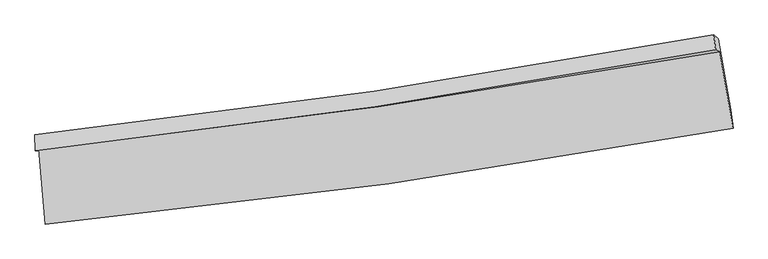
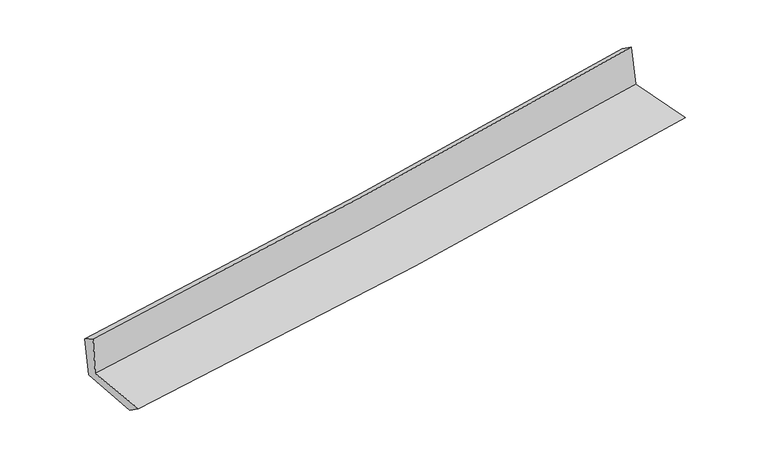
"""IFC4 building model written with IfcOpenShell, lengths in millimetres: proxy geometry."""

from ifc_helpers import new_model, si_unit, frame, origin, place, context, project, spatial, source, transform, mapped, element, save
from ifc_brep_helpers import plane_surface, spline_curve, spline_surface, advanced_brep


def generic_models_94a86d8c(model_context):
    return source(origin(), model_context, "Body", "AdvancedBrep", [
        advanced_brep(
        [(-3011.4900301, -1900.4782853, 1622.6063045), (-2954.4494622, -2564.4741764, 1624.2232576), (3090.3423634, -1720.5131324, 2129.9239822), (2973.9271207, -1050.4913566, 2123.1068003), (-3042.5890575, -1918.0727075, 2017.4106694), (2936.9833772, -1033.3156928, 2523.2992896), (-3047.4391261, -1779.1145915, 1931.2800462), (2921.8749783, -901.9398593, 2430.9714535), (-3013.9578375, -1795.7666235, 1543.3342116), (2960.7260853, -936.0617516, 2043.1773541), (-2958.3958565, -2416.2273669, 1517.4712993), (3070.1769571, -1559.5916588, 2036.3936114)],
        [
            (0, 1),
            (1, 2, spline_curve(3, [(-2954.4494622, -2564.4741764, 1624.2232576), (-1945.891335982, -2469.750800884, 1718.966542542), (-939.718379086, -2352.400270451, 1808.345097597), (1075.247479688, -2071.414329176, 1976.991290988), (2084.005131725, -1907.444511335, 2056.179644205), (3090.3423634, -1720.5131324, 2129.9239822)], [4, 2, 4], [0.0, 9.964677485233793, 20.002718888154536])),
            (2, 3),
            (3, 0, spline_curve(3, [(2973.9271207, -1050.4913566, 2123.1068003), (1977.006559939, -1229.152746562, 2050.414627721), (977.92422561, -1389.508583251, 1972.186964803), (-1017.246308466, -1672.570961434, 1805.272848846), (-2013.303024286, -1795.544101443, 1716.66701302), (-3011.4900301, -1900.4782853, 1622.6063045)], [4, 2, 4], [0.0, 10.038041402920744, 20.002718888154536])),
            (4, 0),
            (3, 5),
            (5, 4, spline_curve(3, [(2936.9833772, -1033.3156928, 2523.2992896), (1941.910802708, -1219.408181293, 2448.07243712), (944.239711378, -1386.384739765, 2368.12977237), (-1048.988944057, -1681.025344689, 2199.431552632), (-2044.508664564, -1808.967790955, 2110.744677183), (-3042.5890575, -1918.0727075, 2017.4106694)], [4, 2, 4], [0.0, 9.98938256433505, 19.905756838429326])),
            (6, 4),
            (5, 7),
            (7, 6, spline_curve(3, [(2921.8749783, -901.9398593, 2430.9714535), (1928.42465047, -1084.94517959, 2355.180522792), (932.422851035, -1249.747315203, 2275.477082808), (-1057.385676308, -1541.873785536, 2108.856299586), (-2051.155244806, -1669.463227572, 2021.995937033), (-3047.4391261, -1779.1145915, 1931.2800462)], [4, 2, 4], [0.0, 9.979435650730279, 19.88593570912186])),
            (8, 6),
            (7, 9),
            (9, 8, spline_curve(3, [(2960.7260853, -936.0617516, 2043.1773541), (1967.835593017, -1123.106876089, 1957.18297579), (971.661911204, -1288.454985414, 1872.383786418), (-1019.947211838, -1574.707285603, 1705.786812052), (-2015.334837886, -1695.927467203, 1623.971620694), (-3013.9578375, -1795.7666235, 1543.3342116)], [4, 2, 4], [0.0, 9.972278767615364, 19.87167424960832])),
            (10, 8),
            (9, 11),
            (11, 10, spline_curve(3, [(3070.1769571, -1559.5916588, 2036.3936114), (2066.032115625, -1736.706709103, 1952.239391773), (1059.72815528, -1896.850348046, 1866.755292304), (-949.827560644, -2182.148416604, 1693.761819984), (-1953.047871576, -2307.550013644, 1606.271815833), (-2958.3958565, -2416.2273669, 1517.4712993)], [4, 2, 4], [0.0, 10.019141210967328, 19.965056637980283])),
            (1, 10),
            (11, 2),
        ],
        [
            spline_surface(3, 3, [[(-3011.4900301, -1900.4782853, 1622.6063045), (-2013.303024328, -1795.544101348, 1716.667013052), (-1017.246308331, -1672.570961599, 1805.27284875), (977.924225473, -1389.508583085, 1972.1869649), (1977.006559775, -1229.152746624, 2050.414627835), (2973.9271207, -1050.4913566, 2123.1068003)], [(-2992.476507483, -2121.810248986, 1623.145288851), (-1990.832461521, -2020.279667806, 1717.433522857), (-991.403665271, -1899.180731234, 1806.296931673), (1010.365310248, -1616.810498466, 1973.788406963), (2012.67275039, -1455.250001578, 2052.336299994), (3012.732201594, -1273.831948533, 2125.379194293)], [(-2973.462984817, -2343.142212714, 1623.684273249), (-1968.361898665, -2245.015234308, 1718.20003271), (-965.561022233, -2125.790500816, 1807.321014585), (1042.806395002, -1844.112413794, 1975.389849014), (2048.338941022, -1681.347256531, 2054.257972074), (3051.537282506, -1497.172540467, 2127.651588207)], [(-2954.4494622, -2564.4741764, 1624.2232576), (-1945.891335858, -2469.750800766, 1718.966542516), (-939.718379173, -2352.400270451, 1808.345097508), (1075.247479776, -2071.414329176, 1976.991291077), (2084.005131637, -1907.444511484, 2056.179644233), (3090.3423634, -1720.5131324, 2129.9239822)]], [4, 4], [4, 2, 4], [0.0, 2.2522486753263653], [0.0, 9.964677485233793, 20.002718888154536]),
            spline_surface(3, 3, [[(-3042.5890575, -1918.0727075, 2017.4106694), (-2044.5086647, -1808.967791117, 2110.744677064), (-1048.988944212, -1681.025344739, 2199.431552488), (944.239711534, -1386.384739715, 2368.129772515), (1941.910802606, -1219.408181155, 2448.072437177), (2936.9833772, -1033.3156928, 2523.2992896)], [(-3032.222715028, -1912.207900118, 1885.809214423), (-2034.10678457, -1804.493227879, 1979.385455717), (-1038.408065601, -1678.207216996, 2068.045317928), (955.467882831, -1387.426020809, 2236.148836662), (1953.609388315, -1222.656369632, 2315.519834045), (2949.297958353, -1039.040914054, 2389.901793149)], [(-3021.856372572, -1906.343092682, 1754.207759477), (-2023.704904457, -1800.018664587, 1848.026234399), (-1027.827186942, -1675.389089342, 1936.65908331), (966.696054176, -1388.467301991, 2104.167900752), (1965.307974066, -1225.904558147, 2182.967230966), (2961.612539547, -1044.766135346, 2256.504296751)], [(-3011.4900301, -1900.4782853, 1622.6063045), (-2013.303024328, -1795.544101348, 1716.667013052), (-1017.246308331, -1672.570961599, 1805.27284875), (977.924225473, -1389.508583085, 1972.1869649), (1977.006559775, -1229.152746624, 2050.414627835), (2973.9271207, -1050.4913566, 2123.1068003)]], [4, 4], [4, 2, 4], [0.0, 1.3005864266213267], [0.0, 9.916374274094276, 19.905756838429326]),
            spline_surface(3, 3, [[(-3047.4391261, -1779.1145915, 1931.2800462), (-2051.155244815, -1669.463227436, 2021.995936992), (-1057.385676221, -1541.873785647, 2108.85629955), (932.422850947, -1249.747315091, 2275.477082844), (1928.424650472, -1084.945179499, 2355.180522702), (2921.8749783, -901.9398593, 2430.9714535)], [(-3045.82243657, -1825.433963485, 1959.990253957), (-2048.939718114, -1715.964748648, 2051.578850373), (-1054.586765552, -1588.257638691, 2139.04805052), (936.361804475, -1295.293123312, 2306.361312725), (1932.92003451, -1129.766180065, 2386.144494198), (2926.91111126, -945.731803814, 2461.747398871)], [(-3044.20574703, -1871.753335515, 1988.700461643), (-2046.724191401, -1762.466269906, 2081.161763683), (-1051.787854881, -1634.641491695, 2169.239801518), (940.300758005, -1340.838931494, 2337.245542634), (1937.415418569, -1174.587180589, 2417.10846568), (2931.94724424, -989.523748286, 2492.523344229)], [(-3042.5890575, -1918.0727075, 2017.4106694), (-2044.5086647, -1808.967791117, 2110.744677064), (-1048.988944212, -1681.025344739, 2199.431552488), (944.239711534, -1386.384739715, 2368.129772515), (1941.910802606, -1219.408181155, 2448.072437177), (2936.9833772, -1033.3156928, 2523.2992896)]], [4, 4], [4, 2, 4], [0.0, 0.5441572290070752], [0.0, 9.90650005839158, 19.88593570912186]),
            spline_surface(3, 3, [[(-3013.9578375, -1795.7666235, 1543.3342116), (-2015.334837721, -1695.927467274, 1623.971620722), (-1019.947211918, -1574.70728573, 1705.786812037), (971.661911285, -1288.454985286, 1872.383786433), (1967.835593059, -1123.106876169, 1957.182975938), (2960.7260853, -936.0617516, 2043.1773541)], [(-3025.118267016, -1790.215946184, 1672.649489785), (-2027.274973402, -1687.106054012, 1756.646392797), (-1032.426700014, -1563.762785709, 1840.143307855), (958.58222451, -1275.55242856, 2006.74821855), (1954.698612209, -1110.386310606, 2089.848824847), (2947.775716312, -924.687787493, 2172.442053887)], [(-3036.278696584, -1784.665268816, 1801.964768015), (-2039.215109134, -1678.284640699, 1889.321164917), (-1044.906188125, -1552.818285669, 1974.499803732), (945.502537721, -1262.649871816, 2141.112650727), (1941.561631322, -1097.665745062, 2222.514673793), (2934.825347288, -913.313823407, 2301.706753713)], [(-3047.4391261, -1779.1145915, 1931.2800462), (-2051.155244815, -1669.463227436, 2021.995936992), (-1057.385676221, -1541.873785647, 2108.85629955), (932.422850947, -1249.747315091, 2275.477082844), (1928.424650472, -1084.945179499, 2355.180522702), (2921.8749783, -901.9398593, 2430.9714535)]], [4, 4], [4, 2, 4], [0.0, 1.3335956186956646], [0.0, 9.899395481992954, 19.87167424960832]),
            spline_surface(3, 3, [[(-2958.3958565, -2416.2273669, 1517.4712993), (-1953.047871676, -2307.550013543, 1606.271815728), (-949.82756073, -2182.148416543, 1693.761820095), (1059.728155366, -1896.850348107, 1866.755292193), (2066.032115613, -1736.706709077, 1952.239391848), (3070.1769571, -1559.5916588, 2036.3936114)], [(-2976.916516844, -2209.407119081, 1526.092270061), (-1973.810193702, -2103.675831434, 1612.171750721), (-973.200777782, -1979.668039608, 1697.770150763), (1030.372740683, -1694.051893836, 1868.63145696), (2033.299941426, -1532.173431438, 1953.887253207), (3033.693333164, -1351.748356396, 2038.654858962)], [(-2995.437177156, -2002.586871319, 1534.713240839), (-1994.572515695, -1899.801649383, 1618.071685729), (-996.573994866, -1777.187662665, 1701.778481369), (1001.017325968, -1491.253439557, 1870.507621666), (2000.567767247, -1327.640153809, 1955.535114579), (2997.209709236, -1143.905054004, 2040.916106538)], [(-3013.9578375, -1795.7666235, 1543.3342116), (-2015.334837721, -1695.927467274, 1623.971620722), (-1019.947211918, -1574.70728573, 1705.786812037), (971.661911285, -1288.454985286, 1872.383786433), (1967.835593059, -1123.106876169, 1957.182975938), (2960.7260853, -936.0617516, 2043.1773541)]], [4, 4], [4, 2, 4], [0.0, 2.0115393617604678], [0.0, 9.945915427012954, 19.965056637980283]),
            spline_surface(3, 3, [[(-2954.4494622, -2564.4741764, 1624.2232576), (-1945.891335858, -2469.750800766, 1718.966542516), (-939.718379173, -2352.400270451, 1808.345097508), (1075.247479776, -2071.414329176, 1976.991291077), (2084.005131637, -1907.444511484, 2056.179644233), (3090.3423634, -1720.5131324, 2129.9239822)], [(-2955.764926958, -2515.058573247, 1588.639271523), (-1948.276847789, -2415.683871705, 1681.401633609), (-943.088106365, -2295.649652472, 1770.15067169), (1070.074371634, -2013.226335476, 1940.245958102), (2078.014126313, -1850.531910691, 2021.532893441), (3083.620561317, -1666.872641209, 2098.747191936)], [(-2957.080391742, -2465.642970053, 1553.055285377), (-1950.662359745, -2361.616942604, 1643.836724634), (-946.457833538, -2238.899034523, 1731.956245913), (1064.901263509, -1955.038341807, 1903.500625168), (2072.023120937, -1793.619309871, 1986.88614264), (3076.898759183, -1613.232149991, 2067.570401664)], [(-2958.3958565, -2416.2273669, 1517.4712993), (-1953.047871676, -2307.550013543, 1606.271815728), (-949.82756073, -2182.148416543, 1693.761820095), (1059.728155366, -1896.850348107, 1866.755292193), (2066.032115613, -1736.706709077, 1952.239391848), (3070.1769571, -1559.5916588, 2036.3936114)]], [4, 4], [4, 2, 4], [0.0, 0.6765763277287467], [0.0, 10.001219277244497, 20.076071507378057]),
            plane_surface(frame((2992.3384803, -1200.3189086, 2214.4787485), z_axis=(0.9816744631056745, 0.1714116134387223, 0.08326648344033602), x_axis=(-0.09930598307649162, 0.08721779959719377, 0.9912272076363902))),
            plane_surface(frame((-3004.7202283, -2062.3556252, 1709.3876314), z_axis=(-0.992955952805655, -0.08549963123759438, -0.0820261473315041), x_axis=(-0.08558951774312552, 0.9963275303841406, -0.0024262421847156992))),
        ],
        [
            (0, [[1, 2, 3, 4]]),
            (1, [[5, -4, 6, 7]]),
            (2, [[8, -7, 9, 10]]),
            (3, [[11, -10, 12, 13]]),
            (4, [[14, -13, 15, 16]]),
            (5, [[17, -16, 18, -2]]),
            (6, [[-12, -9, -6, -3, -18, -15]]),
            (7, [[-1, -5, -8, -11, -14, -17]]),
        ],
    ),
    ])


if __name__ == "__main__":
    model = new_model("IFC4")
    model_context = context("Model", 3, world=origin())
    ifc_project = project(units=[si_unit("LENGTHUNIT", "METRE", prefix="MILLI")], contexts=[model_context])
    site = spatial("IfcSite", under=ifc_project)
    building = spatial("IfcBuilding", under=site)
    placement = place(None, origin())
    generic_models_shape = generic_models_94a86d8c(model_context)
    element("IfcBuildingElementProxy", 1, Name="Generic Models", at=placement, inside=building, context=model_context, shape_type="MappedRepresentation", body=[
        mapped(generic_models_shape, transform((0.0, 0.0, 0.0), x_axis=(1.0, 0.0, 0.0), y_axis=(0.0, 1.0, 0.0), z_axis=(0.0, 0.0, 1.0))),
    ])
    save(model, "model.ifc")
